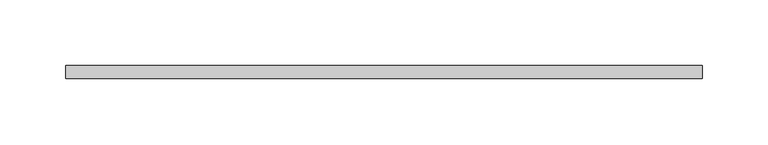
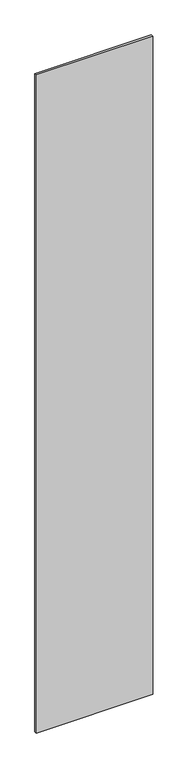
"""IFC4 building model written with IfcOpenShell, lengths in millimetres: plate geometry."""

from ifc_helpers import new_model, si_unit, origin, origin_with_axes, place, context, project, spatial, polyline, outline, extrude, source, transform, mapped, element, save


def plate_88a24ec0(model_context):
    return source(origin(), model_context, "Body", "SweptSolid", [
        extrude(outline(polyline([(242.5, -5.0), (-242.5, -5.0), (-242.5, 5.0), (242.5, 5.0), (242.5, -5.0)])), origin_with_axes(), (0.0, 0.0, 1.0), 2895.0),
    ])


if __name__ == "__main__":
    model = new_model("IFC4")
    model_context = context("Model", 3, world=origin())
    ifc_project = project(units=[si_unit("LENGTHUNIT", "METRE", prefix="MILLI")], contexts=[model_context])
    site = spatial("IfcSite", under=ifc_project)
    building = spatial("IfcBuilding", under=site)
    placement = place(None, origin())
    plate_shape = plate_88a24ec0(model_context)
    element("IfcPlate", 1, at=placement, inside=building, context=model_context, shape_type="MappedRepresentation", body=[
        mapped(plate_shape, transform((0.0, 0.0, 0.0), x_axis=(1.0, 0.0, 0.0), y_axis=(0.0, 1.0, 0.0), z_axis=(0.0, 0.0, 1.0))),
    ])
    save(model, "model.ifc")
